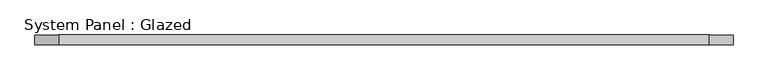
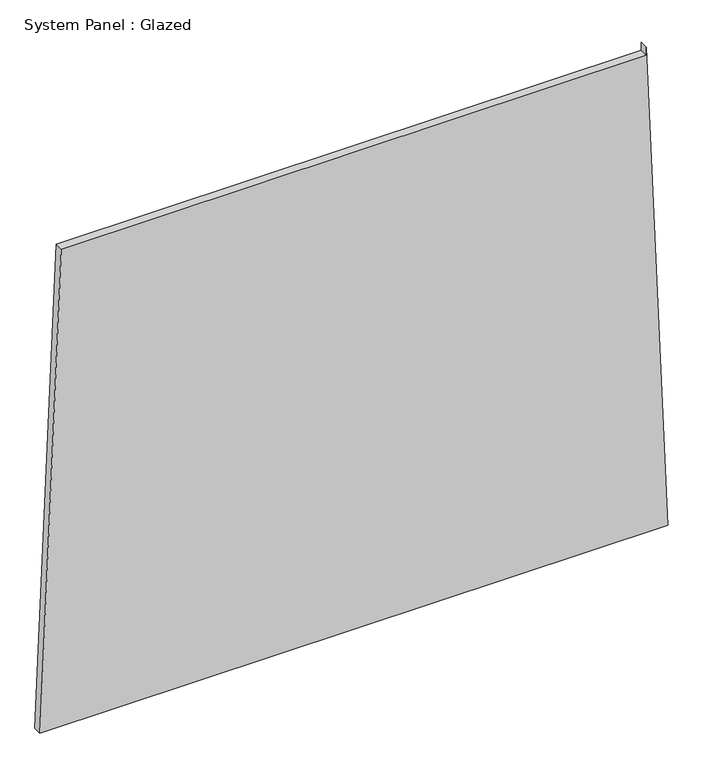
"""IFC4 building model written with IfcOpenShell, lengths in millimetres: plate geometry, System Panel : Glazed."""

from ifc_helpers import new_model, si_unit, frame, origin, place, context, project, spatial, polyline, outline, extrude, source, transform, mapped, element, save


def system_panel_glazed_a24bb662(model_context):
    return source(origin(), model_context, "Body", "SweptSolid", [
        extrude(outline(polyline([(0.0, -902.0575208), (0.0, 902.0575208), (1473.6692071, 839.9387559), (1448.6692071, 839.9387557), (1448.6692222, -840.9930187), (0.0, -902.0575208)])), frame((0.0, -49.5, 0.0), z_axis=(0.0, 1.0, 0.0), x_axis=(0.0, 0.0, 1.0)), (0.0, 0.0, 1.0), 25.0),
    ])


if __name__ == "__main__":
    model = new_model("IFC4")
    model_context = context("Model", 3, world=origin())
    ifc_project = project(units=[si_unit("LENGTHUNIT", "METRE", prefix="MILLI")], contexts=[model_context])
    site = spatial("IfcSite", under=ifc_project)
    building = spatial("IfcBuilding", under=site)
    placement = place(None, origin())
    system_panel_glazed_shape = system_panel_glazed_a24bb662(model_context)
    element("IfcPlate", 1, ObjectType="System Panel : Glazed", at=placement, inside=building, context=model_context, shape_type="MappedRepresentation", body=[
        mapped(system_panel_glazed_shape, transform((0.0, 0.0, 0.0), x_axis=(1.0, 0.0, 0.0), y_axis=(0.0, 1.0, 0.0), z_axis=(0.0, 0.0, 1.0))),
    ])
    save(model, "model.ifc")
